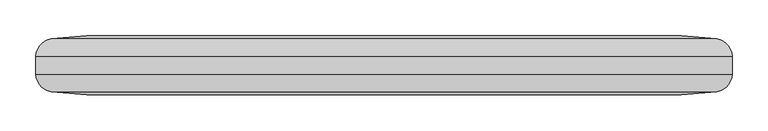
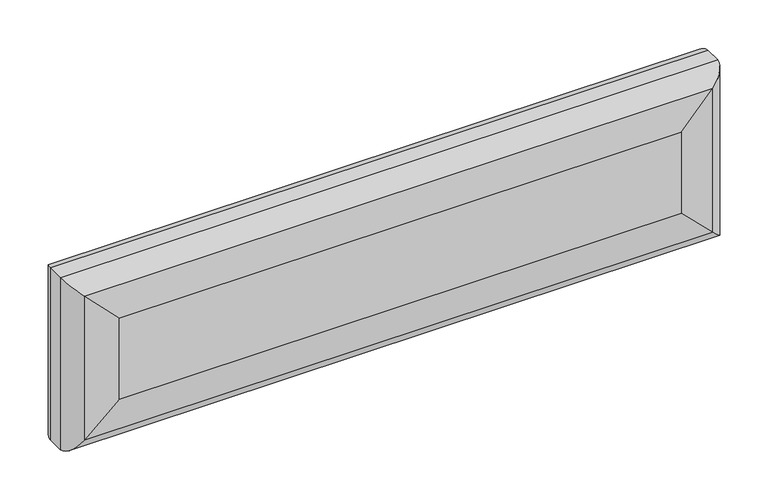
"""IFC4 building model written with IfcOpenShell, lengths in millimetres: furniture geometry."""

from ifc_helpers import new_model, si_unit, frame, origin, place, context, project, spatial, ellipse_curve, source, transform, mapped, element, save
from ifc_brep_helpers import plane_surface, cylinder_surface, advanced_brep


def furniture_03259a7b(model_context):
    return source(origin(), model_context, "Body", "AdvancedBrep", [
        advanced_brep(
        [(422.3526893, 93.4547068, 473.1240882), (1254.1045129, 93.4547068, 473.1240882), (1254.1045129, 93.4547068, 600.0259118), (422.3526893, 93.4547068, 600.0259118), (422.3526893, 176.0047068, 600.0259118), (1254.1045129, 176.0047068, 600.0259118), (1254.1045129, 176.0047068, 473.1240882), (422.3526893, 176.0047068, 473.1240882), (373.1753271, 171.7321704, 423.946726), (373.1753271, 171.7321704, 649.203274), (351.3099043, 147.3793507, 402.0813032), (351.3099043, 147.3793507, 671.0686968), (351.3099043, 122.0800628, 402.0813032), (351.3099043, 122.0800628, 671.0686968), (373.1753271, 97.7272431, 423.946726), (373.1753271, 97.7272431, 649.203274), (1303.2818752, 171.7321704, 423.946726), (1325.1472979, 147.3793507, 402.0813032), (1325.1472979, 122.0800628, 402.0813032), (1303.2818752, 97.7272431, 423.946726), (1303.2818752, 171.7321704, 649.203274), (1325.1472979, 147.3793507, 671.0686968), (1325.1472979, 122.0800628, 671.0686968), (1303.2818752, 97.7272431, 649.203274)],
        [
            (0, 1),
            (1, 2),
            (2, 3),
            (3, 0),
            (4, 5),
            (5, 6),
            (6, 7),
            (7, 4),
            (7, 8, ellipse_curve(frame((422.3526893, -109.1499807, 473.1240882), z_axis=(-0.7071067811865477, 0.0, 0.7071067811865472), x_axis=(0.7071067811865471, 0.0, 0.7071067811865479)), 403.2696264, 285.1546875)),
            (8, 9),
            (9, 4, ellipse_curve(frame((422.3526893, -109.1499807, 600.0259118), z_axis=(-0.7071067811865474, 0.0, -0.7071067811865477), x_axis=(-0.7071067811865477, 0.0, 0.7071067811865474)), 403.2696264, 285.1546875)),
            (8, 10, ellipse_curve(frame((377.7439964, 145.6376908, 428.5153953), z_axis=(-0.7071067811865477, 0.0, 0.7071067811865472), x_axis=(0.7071067811865471, 0.0, 0.7071067811865479)), 37.464506, 26.4914063)),
            (10, 11),
            (11, 9, ellipse_curve(frame((377.7439964, 145.6376908, 644.6346047), z_axis=(-0.7071067811865474, 0.0, -0.7071067811865477), x_axis=(-0.7071067811865477, 0.0, 0.7071067811865474)), 37.464506, 26.4914063)),
            (10, 12, ellipse_curve(frame((543.300233, 134.7297068, 594.0716318), z_axis=(-0.7071067811865477, 0.0, 0.7071067811865472), x_axis=(0.7071067811865471, 0.0, 0.7071067811865479)), 272.1040234, 192.4066002)),
            (12, 13),
            (13, 11, ellipse_curve(frame((543.300233, 134.7297068, 479.0783682), z_axis=(-0.7071067811865474, 0.0, -0.7071067811865477), x_axis=(-0.7071067811865477, 0.0, 0.7071067811865474)), 272.1040234, 192.4066002)),
            (12, 14, ellipse_curve(frame((377.7439964, 123.8217227, 428.5153953), z_axis=(-0.7071067811865477, 0.0, 0.7071067811865472), x_axis=(0.7071067811865471, 0.0, 0.7071067811865479)), 37.464506, 26.4914063)),
            (14, 15),
            (15, 13, ellipse_curve(frame((377.7439964, 123.8217227, 644.6346047), z_axis=(-0.7071067811865474, 0.0, -0.7071067811865477), x_axis=(-0.7071067811865477, 0.0, 0.7071067811865474)), 37.464506, 26.4914063)),
            (3, 15, ellipse_curve(frame((422.3526893, 378.6093943, 600.0259118), z_axis=(-0.7071067811865474, 0.0, -0.7071067811865477), x_axis=(-0.7071067811865477, 0.0, 0.7071067811865474)), 403.2696264, 285.1546875)),
            (14, 0, ellipse_curve(frame((422.3526893, 378.6093943, 473.1240882), z_axis=(-0.7071067811865477, 0.0, 0.7071067811865472), x_axis=(0.7071067811865471, 0.0, 0.7071067811865479)), 403.2696264, 285.1546875)),
            (6, 16, ellipse_curve(frame((1254.1045129, -109.1499807, 473.1240882), z_axis=(-0.7071067811865476, 0.0, -0.7071067811865475), x_axis=(-0.7071067811865475, 0.0, 0.7071067811865475)), 403.2696264, 285.1546875)),
            (16, 8),
            (16, 17, ellipse_curve(frame((1298.7132058, 145.6376908, 428.5153953), z_axis=(-0.7071067811865476, 0.0, -0.7071067811865475), x_axis=(-0.7071067811865475, 0.0, 0.7071067811865475)), 37.464506, 26.4914063)),
            (17, 10),
            (17, 18, ellipse_curve(frame((1133.1569693, 134.7297068, 594.0716318), z_axis=(-0.7071067811865476, 0.0, -0.7071067811865475), x_axis=(-0.7071067811865475, 0.0, 0.7071067811865475)), 272.1040234, 192.4066002)),
            (18, 12),
            (18, 19, ellipse_curve(frame((1298.7132058, 123.8217227, 428.5153953), z_axis=(-0.7071067811865476, 0.0, -0.7071067811865475), x_axis=(-0.7071067811865475, 0.0, 0.7071067811865475)), 37.464506, 26.4914063)),
            (19, 14),
            (19, 1, ellipse_curve(frame((1254.1045129, 378.6093943, 473.1240882), z_axis=(-0.7071067811865476, 0.0, -0.7071067811865475), x_axis=(-0.7071067811865475, 0.0, 0.7071067811865475)), 403.2696264, 285.1546875)),
            (5, 20, ellipse_curve(frame((1254.1045129, -109.1499807, 600.0259118), z_axis=(0.7071067811865475, 0.0, -0.7071067811865476), x_axis=(-0.7071067811865475, 0.0, -0.7071067811865475)), 403.2696264, 285.1546875)),
            (20, 16),
            (20, 21, ellipse_curve(frame((1298.7132058, 145.6376908, 644.6346047), z_axis=(0.7071067811865475, 0.0, -0.7071067811865476), x_axis=(-0.7071067811865475, 0.0, -0.7071067811865475)), 37.464506, 26.4914063)),
            (21, 17),
            (21, 22, ellipse_curve(frame((1133.1569693, 134.7297068, 479.0783682), z_axis=(0.7071067811865475, 0.0, -0.7071067811865476), x_axis=(-0.7071067811865475, 0.0, -0.7071067811865475)), 272.1040234, 192.4066002)),
            (22, 18),
            (22, 23, ellipse_curve(frame((1298.7132058, 123.8217227, 644.6346047), z_axis=(0.7071067811865475, 0.0, -0.7071067811865476), x_axis=(-0.7071067811865475, 0.0, -0.7071067811865475)), 37.464506, 26.4914063)),
            (23, 19),
            (23, 2, ellipse_curve(frame((1254.1045129, 378.6093943, 600.0259118), z_axis=(0.7071067811865475, 0.0, -0.7071067811865476), x_axis=(-0.7071067811865475, 0.0, -0.7071067811865475)), 403.2696264, 285.1546875)),
            (9, 20),
            (11, 21),
            (13, 22),
            (15, 23),
        ],
        [
            plane_surface(frame((1254.1045129, 93.4547068, 600.0259118), z_axis=(0.0, -1.0, 0.0), x_axis=(-1.0, 0.0, 0.0))),
            plane_surface(frame((1238.2786011, 176.0047068, 584.2), z_axis=(0.0, 1.0, 0.0), x_axis=(-1.0, 0.0, 0.0))),
            cylinder_surface(frame((422.3526893, -109.1499807, 584.2), z_axis=(0.0, 0.0, 1.0), x_axis=(0.0, -1.0, 0.0)), 285.1546875),
            cylinder_surface(frame((377.7439964, 145.6376908, 584.2), z_axis=(0.0, 0.0, 1.0), x_axis=(0.0, -1.0, 0.0)), 26.4914063),
            cylinder_surface(frame((543.300233, 134.7297068, 584.2), z_axis=(0.0, 0.0, 1.0), x_axis=(0.0, -1.0, 0.0)), 192.4066002),
            cylinder_surface(frame((377.7439964, 123.8217227, 584.2), z_axis=(0.0, 0.0, 1.0), x_axis=(0.0, -1.0, 0.0)), 26.4914063),
            cylinder_surface(frame((422.3526893, 378.6093943, 584.2), z_axis=(0.0, 0.0, 1.0), x_axis=(0.0, -1.0, 0.0)), 285.1546875),
            cylinder_surface(frame((438.1786011, -109.1499807, 473.1240882), z_axis=(-1.0, 0.0, 0.0), x_axis=(0.0, -1.0, 0.0)), 285.1546875),
            cylinder_surface(frame((438.1786011, 145.6376908, 428.5153953), z_axis=(-1.0, 0.0, 0.0), x_axis=(0.0, -1.0, 0.0)), 26.4914063),
            cylinder_surface(frame((438.1786011, 134.7297068, 594.0716318), z_axis=(-1.0, 0.0, 0.0), x_axis=(0.0, -1.0, 0.0)), 192.4066002),
            cylinder_surface(frame((438.1786011, 123.8217227, 428.5153953), z_axis=(-1.0, 0.0, 0.0), x_axis=(0.0, -1.0, 0.0)), 26.4914063),
            cylinder_surface(frame((438.1786011, 378.6093943, 473.1240882), z_axis=(-1.0, 0.0, 0.0), x_axis=(0.0, -1.0, 0.0)), 285.1546875),
            cylinder_surface(frame((1254.1045129, -109.1499807, 488.95), z_axis=(0.0, 0.0, -1.0), x_axis=(0.0, -1.0, 0.0)), 285.1546875),
            cylinder_surface(frame((1298.7132058, 145.6376908, 488.95), z_axis=(0.0, 0.0, -1.0), x_axis=(0.0, -1.0, 0.0)), 26.4914063),
            cylinder_surface(frame((1133.1569693, 134.7297068, 488.95), z_axis=(0.0, 0.0, -1.0), x_axis=(0.0, -1.0, 0.0)), 192.4066002),
            cylinder_surface(frame((1298.7132058, 123.8217227, 488.95), z_axis=(0.0, 0.0, -1.0), x_axis=(0.0, -1.0, 0.0)), 26.4914063),
            cylinder_surface(frame((1254.1045129, 378.6093943, 488.95), z_axis=(0.0, 0.0, -1.0), x_axis=(0.0, -1.0, 0.0)), 285.1546875),
            cylinder_surface(frame((1238.2786011, -109.1499807, 600.0259118), z_axis=(1.0, 0.0, 0.0), x_axis=(0.0, -1.0, 0.0)), 285.1546875),
            cylinder_surface(frame((1238.2786011, 145.6376908, 644.6346047), z_axis=(1.0, 0.0, 0.0), x_axis=(0.0, -1.0, 0.0)), 26.4914063),
            cylinder_surface(frame((1238.2786011, 134.7297068, 479.0783682), z_axis=(1.0, 0.0, 0.0), x_axis=(0.0, -1.0, 0.0)), 192.4066002),
            cylinder_surface(frame((1238.2786011, 123.8217227, 644.6346047), z_axis=(1.0, 0.0, 0.0), x_axis=(0.0, -1.0, 0.0)), 26.4914063),
            cylinder_surface(frame((1238.2786011, 378.6093943, 600.0259118), z_axis=(1.0, 0.0, 0.0), x_axis=(0.0, -1.0, 0.0)), 285.1546875),
        ],
        [
            (0, [[1, 2, 3, 4]]),
            (1, [[5, 6, 7, 8]]),
            (2, [[-8, 9, 10, 11]]),
            (3, [[-10, 12, 13, 14]]),
            (4, [[-13, 15, 16, 17]]),
            (5, [[-16, 18, 19, 20]]),
            (6, [[-4, 21, -19, 22]]),
            (7, [[-7, 23, 24, -9]]),
            (8, [[-12, -24, 25, 26]]),
            (9, [[-15, -26, 27, 28]]),
            (10, [[-18, -28, 29, 30]]),
            (11, [[-1, -22, -30, 31]]),
            (12, [[-6, 32, 33, -23]]),
            (13, [[-25, -33, 34, 35]]),
            (14, [[-27, -35, 36, 37]]),
            (15, [[-29, -37, 38, 39]]),
            (16, [[-2, -31, -39, 40]]),
            (17, [[-5, -11, 41, -32]]),
            (18, [[-14, 42, -34, -41]]),
            (19, [[-17, 43, -36, -42]]),
            (20, [[-20, 44, -38, -43]]),
            (21, [[-3, -40, -44, -21]]),
        ],
    ),
    ])


if __name__ == "__main__":
    model = new_model("IFC4")
    model_context = context("Model", 3, world=origin())
    ifc_project = project(units=[si_unit("LENGTHUNIT", "METRE", prefix="MILLI")], contexts=[model_context])
    site = spatial("IfcSite", under=ifc_project)
    building = spatial("IfcBuilding", under=site)
    placement = place(None, origin())
    furniture_shape = furniture_03259a7b(model_context)
    element("IfcFurniture", 1, at=placement, inside=building, context=model_context, shape_type="MappedRepresentation", body=[
        mapped(furniture_shape, transform((0.0, 0.0, 0.0), x_axis=(1.0, 0.0, 0.0), y_axis=(0.0, 1.0, 0.0), z_axis=(0.0, 0.0, 1.0))),
    ])
    save(model, "model.ifc")
